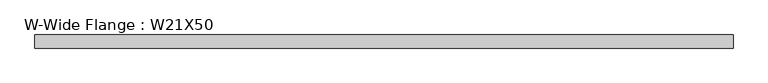
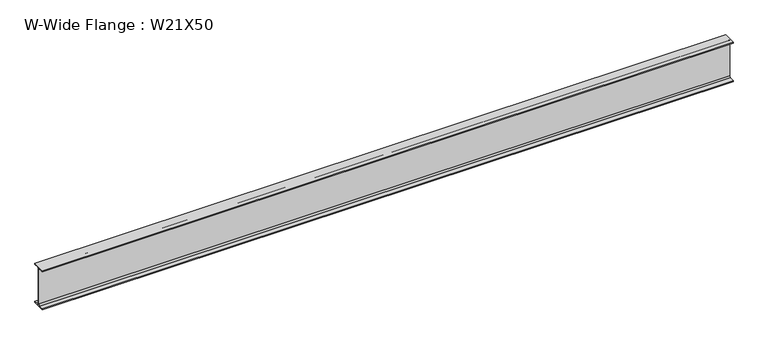
"""IFC4 building model written with IfcOpenShell, lengths in millimetres: beam geometry, W-Wide Flange : W21X50."""

from ifc_helpers import new_model, si_unit, point, frame, frame_2d, origin, place, context, project, spatial, polyline, circle_curve, trimmed, segment, composite_curve, outline, extrude, source, transform, mapped, element, save


def w_wide_flange_w21x50_d5fcac0f(model_context):
    return source(origin(), model_context, "Body", "SweptSolid", [
        extrude(outline(composite_curve([segment(polyline([(82.946875, -250.5769531), (82.946875, -264.1699219), (-82.946875, -264.1699219), (-82.946875, -250.5769531), (-22.9691406, -250.5769531)]), True, "CONTINUOUS"), segment(trimmed(circle_curve(frame_2d((-22.9691406, -232.4199219)), 18.1570312), [point((-22.9691406, -250.5769531))], [point((-4.8121094, -232.4199219))], True, "CARTESIAN"), True, "CONTINUOUS"), segment(polyline([(-4.8121094, -232.4199219), (-4.8121094, 232.4199219)]), True, "CONTINUOUS"), segment(trimmed(circle_curve(frame_2d((-22.9691406, 232.4199219)), 18.1570312), [point((-4.8121094, 232.4199219))], [point((-22.9691406, 250.5769531))], True, "CARTESIAN"), True, "CONTINUOUS"), segment(polyline([(-22.9691406, 250.5769531), (-82.946875, 250.5769531), (-82.946875, 264.1699219), (82.946875, 264.1699219), (82.946875, 250.5769531), (22.9691406, 250.5769531)]), True, "CONTINUOUS"), segment(trimmed(circle_curve(frame_2d((22.9691406, 232.4199219)), 18.1570312), [point((22.9691406, 250.5769531))], [point((4.8121094, 232.4199219))], True, "CARTESIAN"), True, "CONTINUOUS"), segment(polyline([(4.8121094, 232.4199219), (4.8121094, -232.4199219)]), True, "CONTINUOUS"), segment(trimmed(circle_curve(frame_2d((22.9691406, -232.4199219)), 18.1570312), [point((4.8121094, -232.4199219))], [point((22.9691406, -250.5769531))], True, "CARTESIAN"), True, "CONTINUOUS"), segment(polyline([(22.9691406, -250.5769531), (82.946875, -250.5769531)]), True, "CONTINUOUS")], self_intersect=False)), frame((-4407.6441406, 0.0, 0.0), z_axis=(1.0, 0.0, 0.0), x_axis=(0.0, 1.0, 0.0)), (0.0, 0.0, 1.0), 8815.2882812),
    ])


if __name__ == "__main__":
    model = new_model("IFC4")
    model_context = context("Model", 3, world=origin())
    ifc_project = project(units=[si_unit("LENGTHUNIT", "METRE", prefix="MILLI")], contexts=[model_context])
    site = spatial("IfcSite", under=ifc_project)
    building = spatial("IfcBuilding", under=site)
    placement = place(None, origin())
    w_wide_flange_w21x50_shape = w_wide_flange_w21x50_d5fcac0f(model_context)
    element("IfcBeam", 1, ObjectType="W-Wide Flange : W21X50", at=placement, inside=building, context=model_context, shape_type="MappedRepresentation", body=[
        mapped(w_wide_flange_w21x50_shape, transform((0.0, 0.0, 0.0), x_axis=(1.0, 0.0, 0.0), y_axis=(0.0, 1.0, 0.0), z_axis=(0.0, 0.0, 1.0))),
    ])
    save(model, "model.ifc")
